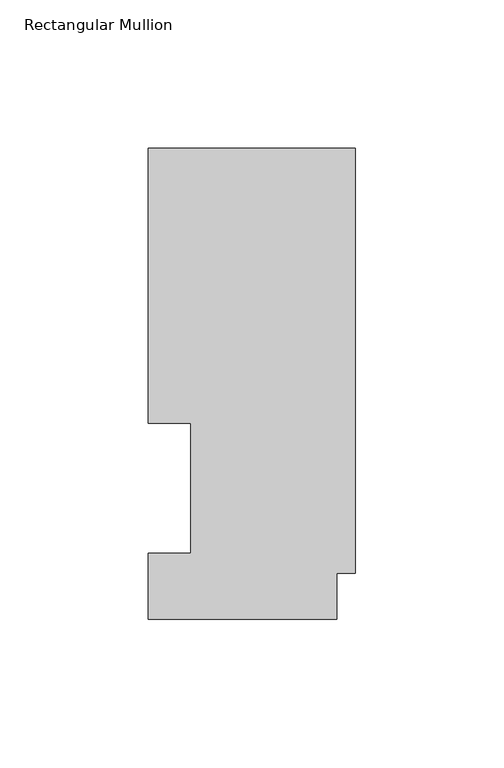
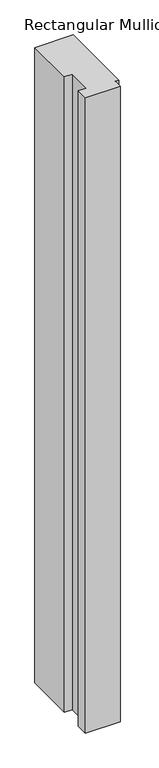
"""IFC4 building model written with IfcOpenShell, lengths in millimetres: member geometry, Rectangular Mullion."""

from ifc_helpers import new_model, si_unit, frame, origin, place, context, project, spatial, polyline, outline, extrude, source, transform, mapped, element, save


def rectangular_mullion_b49b874c(model_context):
    return source(origin(), model_context, "Body", "SweptSolid", [
        extrude(outline(polyline([(0.0, 158.7388875), (0.0, 15.3812875), (-6.35, 15.3812875), (-6.35, -0.0080424), (-69.85, -0.0080424), (-69.85, 22.1122875), (-55.5625, 22.1122875), (-55.5625, 66.0796875), (-69.85, 66.0796875), (-69.85, 158.7388875), (0.0, 158.7388875)])), frame((0.0, 0.0, -1219.2), z_axis=(0.0, 0.0, 1.0), x_axis=(1.0, 0.0, 0.0)), (0.0, 0.0, 1.0), 1219.2),
    ])


if __name__ == "__main__":
    model = new_model("IFC4")
    model_context = context("Model", 3, world=origin())
    ifc_project = project(units=[si_unit("LENGTHUNIT", "METRE", prefix="MILLI")], contexts=[model_context])
    site = spatial("IfcSite", under=ifc_project)
    building = spatial("IfcBuilding", under=site)
    placement = place(None, origin())
    rectangular_mullion_shape = rectangular_mullion_b49b874c(model_context)
    element("IfcMember", 1, ObjectType="Rectangular Mullion", at=placement, inside=building, context=model_context, shape_type="MappedRepresentation", body=[
        mapped(rectangular_mullion_shape, transform((0.0, 0.0, 0.0), x_axis=(1.0, 0.0, 0.0), y_axis=(0.0, 1.0, 0.0), z_axis=(0.0, 0.0, 1.0))),
    ])
    save(model, "model.ifc")
